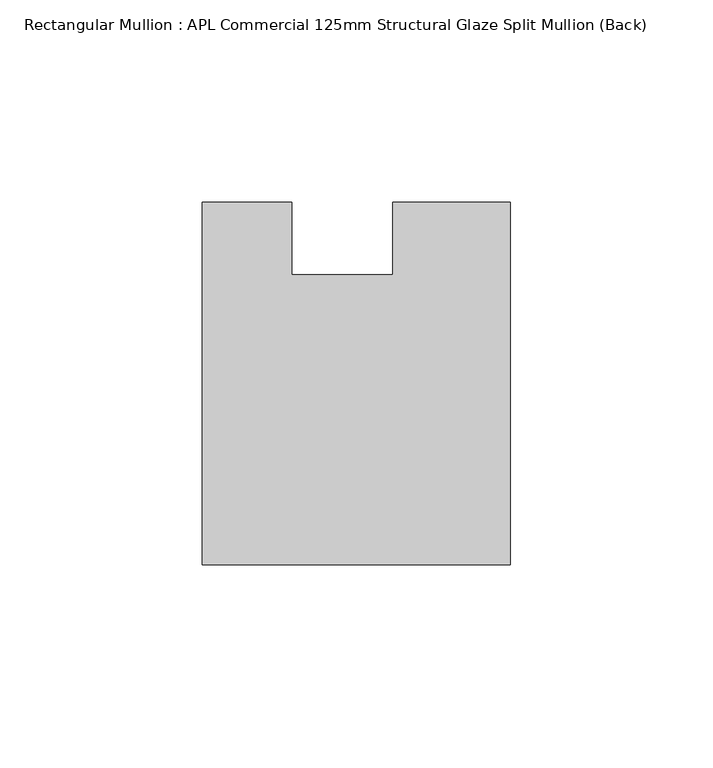
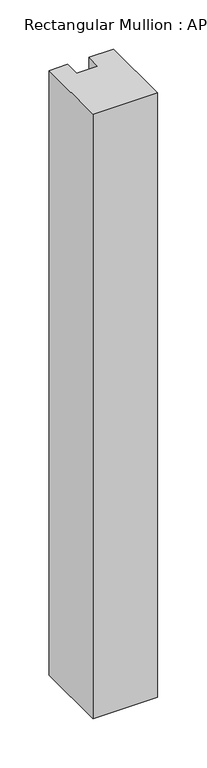
"""IFC4 building model written with IfcOpenShell, lengths in millimetres: member geometry, Rectangular Mullion : APL Commercial 125mm Structural Glaze Split Mullion (Back)."""

import ifcopenshell
import ifcopenshell.guid

model = None  # the IFC model being written
_history = None  # IfcOwnerHistory: only IFC2X3 demands one
_inside = {}  # id of a spatial element -> (the spatial element, [elements in it])
_under = {}  # id of a project, library or spatial element -> (it, [spatial elements below it])
_declared = {}  # id of a project -> (the project, [libraries it declares])
_typed = {}  # id of a type object -> (the type object, [elements of that type])
_made_of = {}  # id of a material, layer set ... -> (it, [elements and type objects made of it])


def new_model(schema):
    """Start an empty IFC model of exactly this schema.

    Asked for "IFC4X3", IfcOpenShell would pick the latest addendum, in which some entities
    have other attributes; the version numbers below select the first issue.
    IFC2X3 requires an IfcOwnerHistory on every rooted entity: one is made here for all.
    """
    global model, _history
    if schema == "IFC4X3":
        model = ifcopenshell.file(schema_version=(4, 3, 0, 0))
    else:
        model = ifcopenshell.file(schema=schema)
    _inside.clear()
    _under.clear()
    _declared.clear()
    _typed.clear()
    _made_of.clear()
    _history = None
    if model.schema == "IFC2X3":
        org = make("IfcOrganization", Name="unknown")
        user = make(
            "IfcPersonAndOrganization",
            ThePerson=make("IfcPerson", FamilyName="unknown"),
            TheOrganization=org,
        )
        app = make(
            "IfcApplication",
            ApplicationDeveloper=org,
            Version="unknown",
            ApplicationFullName="unknown",
            ApplicationIdentifier="unknown",
        )
        _history = make(
            "IfcOwnerHistory",
            OwningUser=user,
            OwningApplication=app,
            ChangeAction="ADDED",
            CreationDate=0,
        )
    return model


def make(cls, **values):
    """One entity of the class cls with the attributes given. An attribute that is None is left unset."""
    return model.create_entity(
        cls, **{name: value for name, value in values.items() if value is not None}
    )


def rooted(cls, **values):
    """An entity with a GlobalId (a new one), such as an element, a storey or a relation."""
    return make(cls, GlobalId=ifcopenshell.guid.new(), OwnerHistory=_history, **values)


def si_unit(unit_type, name, prefix=None):
    """IfcSIUnit, for example si_unit("LENGTHUNIT", "METRE", prefix="MILLI")."""
    return make("IfcSIUnit", UnitType=unit_type, Prefix=prefix, Name=name)


def assignment(units):
    """IfcUnitAssignment: the units of a project."""
    return None if units is None else make("IfcUnitAssignment", Units=units)


def point(xyz):
    """IfcCartesianPoint."""
    return None if xyz is None else make("IfcCartesianPoint", Coordinates=xyz)


def direction(xyz):
    """IfcDirection."""
    return None if xyz is None else make("IfcDirection", DirectionRatios=xyz)


def frame(location, z_axis=None, x_axis=None):
    """IfcAxis2Placement3D, a coordinate frame: its origin and axes. An axis left out is left unset."""
    return make(
        "IfcAxis2Placement3D",
        Location=point(location),
        Axis=direction(z_axis),
        RefDirection=direction(x_axis),
    )


def origin():
    """The frame at (0, 0, 0) with its axes left unset."""
    return frame((0.0, 0.0, 0.0))


def place(relative_to, where):
    """IfcLocalPlacement: puts the frame where relative to a parent placement (None: the world)."""
    return make(
        "IfcLocalPlacement", PlacementRelTo=relative_to, RelativePlacement=where
    )


def context(
    kind, dimensions, precision=None, world=None, true_north=None, identifier=None
):
    """IfcGeometricRepresentationContext, for example the 3D "Model" context."""
    return make(
        "IfcGeometricRepresentationContext",
        ContextIdentifier=identifier,
        ContextType=kind,
        CoordinateSpaceDimension=dimensions,
        Precision=precision,
        WorldCoordinateSystem=world,
        TrueNorth=true_north,
    )


def project(units=None, contexts=None):
    """IfcProject with its units and contexts."""
    return rooted(
        "IfcProject",
        Name="project",
        RepresentationContexts=contexts,
        UnitsInContext=assignment(units),
    )


def spatial(cls, under=None, at=None, **own):
    """A site, building, storey or space (cls), placed at a placement, below another one or the project."""
    s = rooted(cls, ObjectPlacement=at, **own)
    if under is not None:
        _under.setdefault(under.id(), (under, []))[1].append(s)
    return s


def polyline(points):
    """IfcPolyline through the points."""
    return make("IfcPolyline", Points=[point(p) for p in points])


def outline(outer, holes=None, kind="AREA"):
    """IfcArbitraryClosedProfileDef: a profile drawn as a closed curve; with holes, ...WithVoids."""
    if holes is None:
        return make("IfcArbitraryClosedProfileDef", ProfileType=kind, OuterCurve=outer)
    return make(
        "IfcArbitraryProfileDefWithVoids",
        ProfileType=kind,
        OuterCurve=outer,
        InnerCurves=holes,
    )


def extrude(swept, where, along, depth):
    """IfcExtrudedAreaSolid: the profile swept, set in the frame where, extruded along a direction by depth."""
    return make(
        "IfcExtrudedAreaSolid",
        SweptArea=swept,
        Position=where,
        ExtrudedDirection=direction(along),
        Depth=depth,
    )


def shape(context_of_items, identifier, shape_type, items):
    """IfcShapeRepresentation: the items that make up one representation, for example the "Body"."""
    return make(
        "IfcShapeRepresentation",
        ContextOfItems=context_of_items,
        RepresentationIdentifier=identifier,
        RepresentationType=shape_type,
        Items=items,
    )


def source(mapping_origin, context_of_items, identifier, shape_type, items):
    """IfcRepresentationMap: a shape defined once, which mapped items show again and again."""
    return make(
        "IfcRepresentationMap",
        MappingOrigin=mapping_origin,
        MappedRepresentation=shape(context_of_items, identifier, shape_type, items),
    )


def transform(
    local_origin,
    x_axis=None,
    y_axis=None,
    z_axis=None,
    scale=None,
    scale2=None,
    scale3=None,
    uniform=True,
):
    """IfcCartesianTransformationOperator3D, or its non-uniform kind. x_axis, y_axis, z_axis: its Axis1, 2, 3."""
    if uniform:
        return make(
            "IfcCartesianTransformationOperator3D",
            Axis1=direction(x_axis),
            Axis2=direction(y_axis),
            LocalOrigin=point(local_origin),
            Scale=scale,
            Axis3=direction(z_axis),
        )
    return make(
        "IfcCartesianTransformationOperator3DnonUniform",
        Axis1=direction(x_axis),
        Axis2=direction(y_axis),
        LocalOrigin=point(local_origin),
        Scale=scale,
        Axis3=direction(z_axis),
        Scale2=scale2,
        Scale3=scale3,
    )


def mapped(mapping_source, mapping_target):
    """IfcMappedItem: shows the shape of a source again, moved by a transform."""
    return make(
        "IfcMappedItem", MappingSource=mapping_source, MappingTarget=mapping_target
    )


def made_of(thing, what):
    """Note that an element or type object is made of a material, layer set ...; save() writes the relation."""
    if what is not None:
        _made_of.setdefault(what.id(), (what, []))[1].append(thing)
    return thing


def element(
    cls,
    number,
    at=None,
    inside=None,
    cuts=None,
    type_object=None,
    material=None,
    context=None,
    identifier="Body",
    shape_type=None,
    held_by="IfcProductDefinitionShape",
    body=None,
    shapes=None,
    **own,
):
    """One element of the class cls, such as IfcWall. Its Tag is "e" and its number.

    at: its placement. inside: the storey or other place that contains it. cuts: it is an
    opening in that element (IfcRelVoidsElement). A single representation is given by context,
    identifier, shape_type and body (its items); several are given by shapes. held_by: the class
    of the entity that holds the representations. save() writes the other relations.
    """
    e = rooted(cls, Tag="e%d" % number, ObjectPlacement=at, **own)
    if body is not None:
        shapes = [shape(context, identifier, shape_type, body)]
    if shapes is not None:
        e.Representation = make(held_by, Representations=shapes)
    if inside is not None:
        _inside.setdefault(inside.id(), (inside, []))[1].append(e)
    if cuts is not None:
        rooted(
            "IfcRelVoidsElement", RelatingBuildingElement=cuts, RelatedOpeningElement=e
        )
    if type_object is not None:
        _typed.setdefault(type_object.id(), (type_object, []))[1].append(e)
    return made_of(e, material)


def aggregate(whole, parts):
    """IfcRelAggregates: a whole, such as a stair, and the parts it consists of."""
    return rooted("IfcRelAggregates", RelatingObject=whole, RelatedObjects=parts)


def save(model, path):
    """Write the relations noted so far, then the file.

    IfcRelAggregates (storeys below a building ...), IfcRelContainedInSpatialStructure (elements
    in a storey), IfcRelDefinesByType, IfcRelAssociatesMaterial and IfcRelDeclares: one each for
    every whole, place, type object, material and project.
    """
    for whole, parts in _under.values():
        aggregate(whole, parts)
    for where, things in _inside.values():
        rooted(
            "IfcRelContainedInSpatialStructure",
            RelatedElements=things,
            RelatingStructure=where,
        )
    for kind, things in _typed.values():
        rooted("IfcRelDefinesByType", RelatedObjects=things, RelatingType=kind)
    for what, things in _made_of.values():
        rooted("IfcRelAssociatesMaterial", RelatedObjects=things, RelatingMaterial=what)
    for by, libraries in _declared.values():
        rooted("IfcRelDeclares", RelatingContext=by, RelatedDefinitions=libraries)
    model.write(path)


def rectangular_mullion_apl_commercial_125mm_structural_glaze_0454774b(model_context):
    return source(origin(), model_context, "Body", "SweptSolid", [
        extrude(outline(polyline([(37.9999914, -104.4960123), (-37.9999896, -104.4960123), (-37.9999896, -14.9960123), (-16.0, -14.9960123), (-16.0, -32.7960123), (9.0, -32.7960123), (9.0, -14.9960123), (37.9999914, -14.9960123), (37.9999914, -104.4960123)])), frame((0.0, 0.0, -750.6149322), z_axis=(0.0, 0.0, 1.0), x_axis=(1.0, 0.0, 0.0)), (0.0, 0.0, 1.0), 750.6149322),
    ])


if __name__ == "__main__":
    model = new_model("IFC4")
    model_context = context("Model", 3, world=origin())
    ifc_project = project(units=[si_unit("LENGTHUNIT", "METRE", prefix="MILLI")], contexts=[model_context])
    site = spatial("IfcSite", under=ifc_project)
    building = spatial("IfcBuilding", under=site)
    placement = place(None, origin())
    rectangular_mullion_apl_commercial_125mm_structural_glaze_shape = rectangular_mullion_apl_commercial_125mm_structural_glaze_0454774b(model_context)
    element("IfcMember", 1, ObjectType="Rectangular Mullion : APL Commercial 125mm Structural Glaze Split Mullion (Back)", at=placement, inside=building, context=model_context, shape_type="MappedRepresentation", body=[
        mapped(rectangular_mullion_apl_commercial_125mm_structural_glaze_shape, transform((0.0, 0.0, 0.0), x_axis=(1.0, 0.0, 0.0), y_axis=(0.0, 1.0, 0.0), z_axis=(0.0, 0.0, 1.0))),
    ])
    save(model, "model.ifc")
